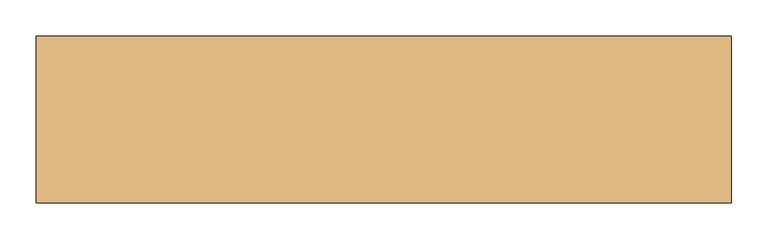
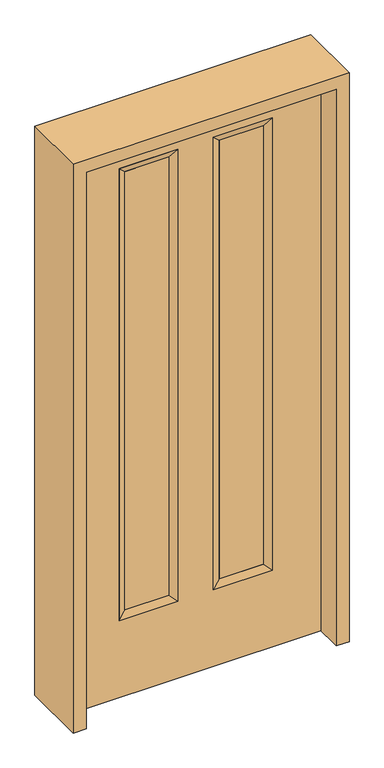
"""IFC4 building model written with IfcOpenShell, lengths in millimetres: door geometry."""

from ifc_helpers import new_model, si_unit, frame, origin, place, context, project, spatial, polyline, outline, extrude, faceted_brep, source, transform, mapped, element, save


def door_dc3c7072(model_context):
    return source(origin(), model_context, "Body", "SolidModel", [
        extrude(outline(polyline([(-86.614, -12.7039749), (-239.014, -12.7039749), (-239.014, 14.2875), (-86.614, 14.2875), (-86.614, -12.7039749)])), frame((0.0, 0.0, 304.8), z_axis=(0.0, 0.0, 1.0), x_axis=(1.0, 0.0, 0.0)), (0.0, 0.0, 1.0), 1600.2),
        extrude(outline(polyline([(239.014, -12.7039749), (86.614, -12.7039749), (86.614, 14.2875), (239.014, 14.2875), (239.014, -12.7039749)])), frame((0.0, 0.0, 304.8), z_axis=(0.0, 0.0, 1.0), x_axis=(1.0, 0.0, 0.0)), (0.0, 0.0, 1.0), 1600.2),
        faceted_brep([(264.414, 22.225, 1930.4), (239.014, 14.2875, 1905.0), (86.614, 14.2875, 1905.0), (61.214, 22.225, 1930.4), (239.014, -12.7039749, 1905.0), (86.614, -12.7039749, 1905.0), (264.414, -22.225, 1930.4), (61.214, -22.225, 1930.4), (86.614, 14.2875, 304.8), (61.214, 22.225, 279.4), (86.614, -12.7039749, 304.8), (61.214, -22.225, 279.4), (239.014, 14.2875, 304.8), (264.414, 22.225, 279.4), (239.014, -12.7039749, 304.8), (264.414, -22.225, 279.4)], [[[0, 1, 2, 3]], [[1, 4, 5, 2]], [[4, 6, 7, 5]], [[6, 0, 3, 7]], [[3, 2, 8, 9]], [[2, 5, 10, 8]], [[5, 7, 11, 10]], [[7, 3, 9, 11]], [[9, 8, 12, 13]], [[8, 10, 14, 12]], [[10, 11, 15, 14]], [[11, 9, 13, 15]], [[13, 12, 1, 0]], [[12, 14, 4, 1]], [[14, 15, 6, 4]], [[15, 13, 0, 6]]]),
        faceted_brep([(-239.014, 14.2875, 1905.0), (-264.414, 22.225, 1930.4), (-61.214, 22.225, 1930.4), (-86.614, 14.2875, 1905.0), (-239.014, -12.7039749, 1905.0), (-86.614, -12.7039749, 1905.0), (-264.414, -22.225, 1930.4), (-61.214, -22.225, 1930.4), (-61.214, 22.225, 279.4), (-86.614, 14.2875, 304.8), (-86.614, -12.7039749, 304.8), (-61.214, -22.225, 279.4), (-264.414, 22.225, 279.4), (-239.014, 14.2875, 304.8), (-239.014, -12.7039749, 304.8), (-264.414, -22.225, 279.4)], [[[0, 1, 2, 3]], [[4, 0, 3, 5]], [[6, 4, 5, 7]], [[1, 6, 7, 2]], [[3, 2, 8, 9]], [[5, 3, 9, 10]], [[7, 5, 10, 11]], [[2, 7, 11, 8]], [[9, 8, 12, 13]], [[10, 9, 13, 14]], [[11, 10, 14, 15]], [[8, 11, 15, 12]], [[13, 12, 1, 0]], [[14, 13, 0, 4]], [[15, 14, 4, 6]], [[12, 15, 6, 1]]]),
        extrude(outline(polyline([(0.0, -431.8), (0.0, 431.8), (2032.0, 431.8), (2032.0, -431.8), (0.0, -431.8)]), holes=[polyline([(279.4, -264.414), (1930.4, -264.414), (1930.4, -61.214), (279.4, -61.214), (279.4, -264.414)]), polyline([(279.4, 61.214), (1930.4, 61.214), (1930.4, 264.414), (279.4, 264.414), (279.4, 61.214)])]), frame((0.0, -22.225, 0.0), z_axis=(0.0, 1.0, 0.0), x_axis=(0.0, 0.0, 1.0)), (0.0, 0.0, 1.0), 44.45),
        extrude(outline(polyline([(0.0, -476.25), (0.0, -431.8), (2032.0, -431.8), (2032.0, 431.8), (0.0, 431.8), (0.0, 476.25), (2076.45, 476.25), (2076.45, -476.25), (0.0, -476.25)])), frame((0.0, -114.3, 0.0), z_axis=(0.0, 1.0, 0.0), x_axis=(0.0, 0.0, 1.0)), (0.0, 0.0, 1.0), 228.6),
    ])


if __name__ == "__main__":
    model = new_model("IFC4")
    model_context = context("Model", 3, world=origin())
    ifc_project = project(units=[si_unit("LENGTHUNIT", "METRE", prefix="MILLI")], contexts=[model_context])
    site = spatial("IfcSite", under=ifc_project)
    building = spatial("IfcBuilding", under=site)
    placement = place(None, origin())
    door_shape = door_dc3c7072(model_context)
    element("IfcDoor", 1, at=placement, inside=building, context=model_context, shape_type="MappedRepresentation", body=[
        mapped(door_shape, transform((0.0, 0.0, 0.0), x_axis=(1.0, 0.0, 0.0), y_axis=(0.0, 1.0, 0.0), z_axis=(0.0, 0.0, 1.0))),
    ])
    save(model, "model.ifc")
